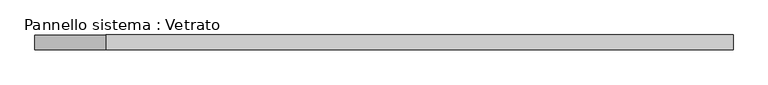
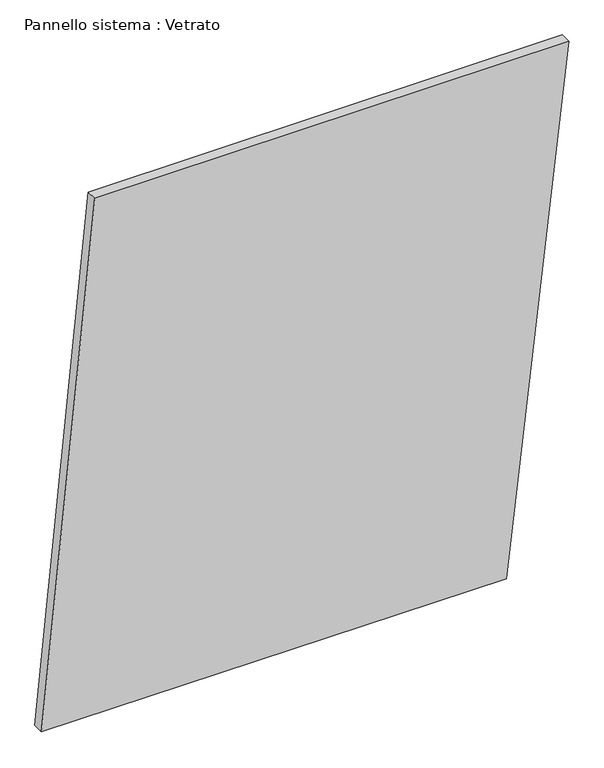
"""IFC4 building model written with IfcOpenShell, lengths in millimetres: plate geometry, Pannello sistema : Vetrato."""

from ifc_helpers import new_model, si_unit, frame, origin, place, context, project, spatial, polyline, outline, extrude, source, transform, mapped, element, save


def pannello_sistema_vetrato_d256189a(model_context):
    return source(origin(), model_context, "Body", "SweptSolid", [
        extrude(outline(polyline([(3.5579786, -709.283492), (0.0, 541.039673), (1468.3342161, 709.283492), (1468.3342191, -565.6128307), (3.5579786, -709.283492)])), frame((0.0, -15.0, 0.0), z_axis=(0.0, 1.0, 0.0), x_axis=(0.0, 0.0, 1.0)), (0.0, 0.0, 1.0), 30.0),
    ])


if __name__ == "__main__":
    model = new_model("IFC4")
    model_context = context("Model", 3, world=origin())
    ifc_project = project(units=[si_unit("LENGTHUNIT", "METRE", prefix="MILLI")], contexts=[model_context])
    site = spatial("IfcSite", under=ifc_project)
    building = spatial("IfcBuilding", under=site)
    placement = place(None, origin())
    pannello_sistema_vetrato_shape = pannello_sistema_vetrato_d256189a(model_context)
    element("IfcPlate", 1, ObjectType="Pannello sistema : Vetrato", at=placement, inside=building, context=model_context, shape_type="MappedRepresentation", body=[
        mapped(pannello_sistema_vetrato_shape, transform((0.0, 0.0, 0.0), x_axis=(1.0, 0.0, 0.0), y_axis=(0.0, 1.0, 0.0), z_axis=(0.0, 0.0, 1.0))),
    ])
    save(model, "model.ifc")
